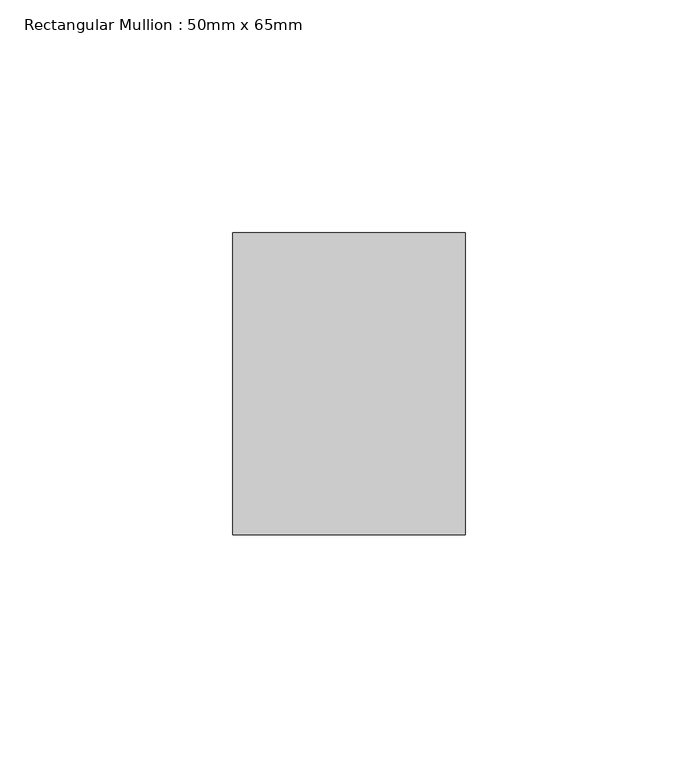
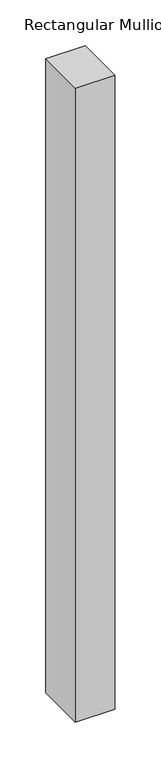
"""IFC4 building model written with IfcOpenShell, lengths in millimetres: member geometry, Rectangular Mullion : 50mm x 65mm."""

from ifc_helpers import new_model, si_unit, frame, origin, place, context, project, spatial, polyline, outline, extrude, source, transform, mapped, element, save


def rectangular_mullion_50mm_x_65mm_f43aade2(model_context):
    return source(origin(), model_context, "Body", "SweptSolid", [
        extrude(outline(polyline([(25.0, 32.5), (25.0, -32.5), (-25.0, -32.5), (-25.0, 32.5), (25.0, 32.5)])), frame((0.0, 0.0, -846.7250868), z_axis=(0.0, 0.0, 1.0), x_axis=(1.0, 0.0, 0.0)), (0.0, 0.0, 1.0), 846.7250868),
    ])


if __name__ == "__main__":
    model = new_model("IFC4")
    model_context = context("Model", 3, world=origin())
    ifc_project = project(units=[si_unit("LENGTHUNIT", "METRE", prefix="MILLI")], contexts=[model_context])
    site = spatial("IfcSite", under=ifc_project)
    building = spatial("IfcBuilding", under=site)
    placement = place(None, origin())
    rectangular_mullion_50mm_x_65mm_shape = rectangular_mullion_50mm_x_65mm_f43aade2(model_context)
    element("IfcMember", 1, ObjectType="Rectangular Mullion : 50mm x 65mm", at=placement, inside=building, context=model_context, shape_type="MappedRepresentation", body=[
        mapped(rectangular_mullion_50mm_x_65mm_shape, transform((0.0, 0.0, 0.0), x_axis=(1.0, 0.0, 0.0), y_axis=(0.0, 1.0, 0.0), z_axis=(0.0, 0.0, 1.0))),
    ])
    save(model, "model.ifc")
